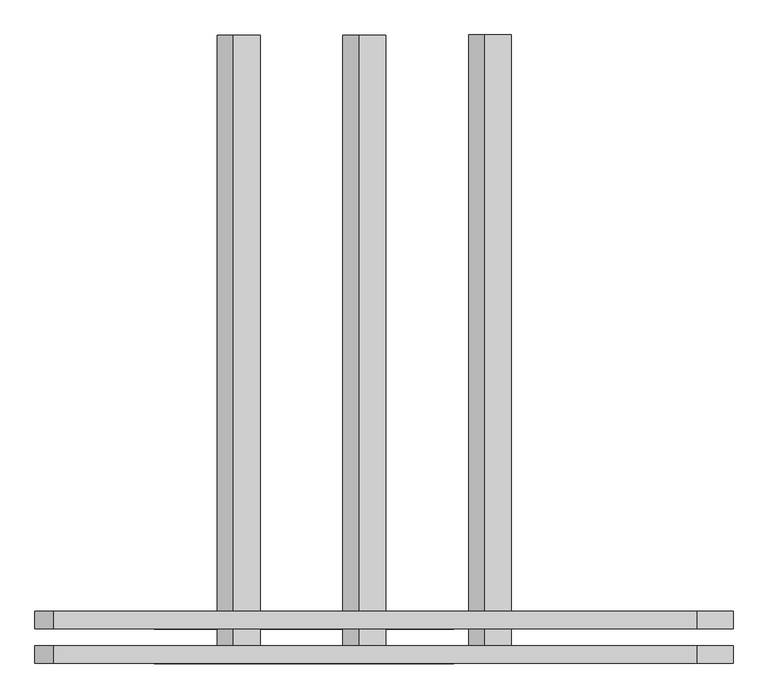
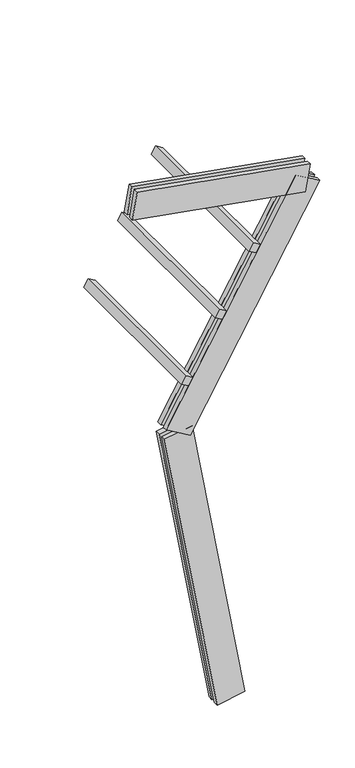
"""IFC4 building model written with IfcOpenShell, lengths in millimetres: proxy geometry."""

from ifc_helpers import new_model, si_unit, frame, origin, place, context, project, spatial, polyline, outline, extrude, source, transform, mapped, element, save


def generic_models_31641869(model_context):
    return source(origin(), model_context, "Body", "SweptSolid", [
        extrude(outline(polyline([(0.0, 1500.0), (75.0, 1500.0), (75.0, 0.0), (0.0, 0.0), (0.0, 1500.0)])), frame((-442.0551605, -62.5, 3105.3910946), z_axis=(0.5000000000000011, 0.0, 0.866025403784438), x_axis=(0.866025403784438, 0.0, -0.5000000000000011)), (0.0, 0.0, 1.0), 75.0),
        extrude(outline(polyline([(0.0, 1500.0), (75.0, 1500.0), (75.0, 0.0), (0.0, 0.0), (0.0, 1500.0)])), frame((-142.0551605, -62.5, 3625.0063369), z_axis=(0.5000000000000011, 0.0, 0.866025403784438), x_axis=(0.866025403784438, 0.0, -0.5000000000000011)), (0.0, 0.0, 1.0), 75.0),
        extrude(outline(polyline([(0.0, 1500.0), (75.0, 1500.0), (75.0, 0.0), (0.0, 0.0), (0.0, 1500.0)])), frame((157.9448395, -62.5, 4144.6215792), z_axis=(0.5000000000000011, 0.0, 0.866025403784438), x_axis=(0.866025403784438, 0.0, -0.5000000000000011)), (0.0, 0.0, 1.0), 75.0),
        extrude(outline(polyline([(1560.0, 125.0), (1560.0, 82.5), (0.0, 82.5), (0.0, 125.0), (1560.0, 125.0)])), frame((659.4438981, 62.5, 4527.7383927), z_axis=(0.17364817766693336, 0.0, 0.9848077530122077), x_axis=(-0.9848077530122077, 0.0, 0.17364817766693336)), (0.0, 0.0, 1.0), 250.0),
        extrude(outline(polyline([(0.0, 0.0), (0.0, 42.5), (1560.0, 42.5), (1560.0, 0.0), (0.0, 0.0)])), frame((659.4438981, 62.5, 4527.7383927), z_axis=(0.17364817766693336, 0.0, 0.9848077530122077), x_axis=(-0.9848077530122077, 0.0, 0.17364817766693336)), (0.0, 0.0, 1.0), 250.0),
        extrude(outline(polyline([(-125.0, 250.0), (-82.5, 250.0), (-82.5, 0.0), (-125.0, 0.0), (-125.0, 250.0)])), frame((-360.5969042, 62.5, 2596.4809331), z_axis=(0.5000000000000011, 0.0, 0.866025403784438), x_axis=(0.0, 1.0, 0.0)), (0.0, 0.0, 1.0), 2300.0),
        extrude(outline(polyline([(0.0, 0.0), (-42.5, 0.0), (-42.5, 250.0), (0.0, 250.0), (0.0, 0.0)])), frame((-360.5969042, 62.5, 2596.4809331), z_axis=(0.5000000000000011, 0.0, 0.866025403784438), x_axis=(0.0, 1.0, 0.0)), (0.0, 0.0, 1.0), 2300.0),
        extrude(outline(polyline([(-125.0, 249.9999999), (-82.5, 249.9999999), (-82.5, 0.0), (-125.0, 0.0), (-125.0, 249.9999999)])), frame((123.1009691, 62.5, 21.7060222), z_axis=(-0.17364817766693158, 0.0, 0.9848077530122079), x_axis=(0.0, 1.0, 0.0)), (0.0, 0.0, 1.0), 2700.0),
        extrude(outline(polyline([(0.0, 0.0), (-42.5, 0.0), (-42.5, 249.9999999), (0.0, 249.9999999), (0.0, 0.0)])), frame((123.1009691, 62.5, 21.7060222), z_axis=(-0.17364817766693158, 0.0, 0.9848077530122079), x_axis=(0.0, 1.0, 0.0)), (0.0, 0.0, 1.0), 2700.0),
    ])


if __name__ == "__main__":
    model = new_model("IFC4")
    model_context = context("Model", 3, world=origin())
    ifc_project = project(units=[si_unit("LENGTHUNIT", "METRE", prefix="MILLI")], contexts=[model_context])
    site = spatial("IfcSite", under=ifc_project)
    building = spatial("IfcBuilding", under=site)
    placement = place(None, origin())
    generic_models_shape = generic_models_31641869(model_context)
    element("IfcBuildingElementProxy", 1, Name="Generic Models", at=placement, inside=building, context=model_context, shape_type="MappedRepresentation", body=[
        mapped(generic_models_shape, transform((0.0, 0.0, 0.0), x_axis=(1.0, 0.0, 0.0), y_axis=(0.0, 1.0, 0.0), z_axis=(0.0, 0.0, 1.0))),
    ])
    save(model, "model.ifc")
